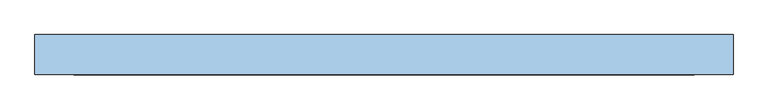
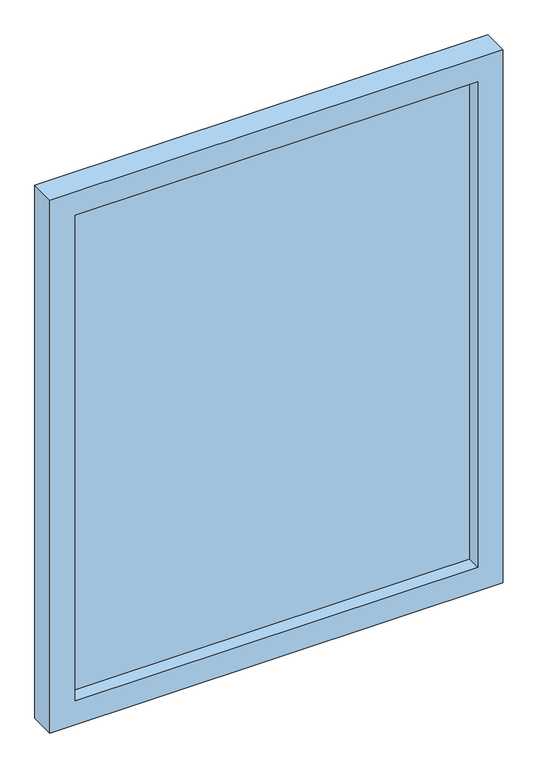
"""IFC4 building model written with IfcOpenShell, lengths in millimetres: window geometry."""

from ifc_helpers import new_model, si_unit, frame, origin, place, context, project, spatial, polyline, outline, extrude, source, transform, mapped, element, save


def window_7ea417cb(model_context):
    return source(origin(), model_context, "Body", "SweptSolid", [
        extrude(outline(polyline([(465.0, 4.0), (-465.0, 4.0), (-465.0, 22.0), (465.0, 22.0), (465.0, 4.0)])), frame((0.0, 0.0, 958.0), z_axis=(0.0, 0.0, 1.0), x_axis=(1.0, 0.0, 0.0)), (0.0, 0.0, 1.0), 1184.0),
        extrude(outline(polyline([(900.0, -523.0), (900.0, 523.0), (2200.0, 523.0), (2200.0, -523.0), (900.0, -523.0)]), holes=[polyline([(2142.0, -465.0), (2142.0, 465.0), (958.0, 465.0), (958.0, -465.0), (2142.0, -465.0)])]), frame((0.0, -30.0, 0.0), z_axis=(0.0, 1.0, 0.0), x_axis=(0.0, 0.0, 1.0)), (0.0, 0.0, 1.0), 60.0),
    ])


if __name__ == "__main__":
    model = new_model("IFC4")
    model_context = context("Model", 3, world=origin())
    ifc_project = project(units=[si_unit("LENGTHUNIT", "METRE", prefix="MILLI")], contexts=[model_context])
    site = spatial("IfcSite", under=ifc_project)
    building = spatial("IfcBuilding", under=site)
    placement = place(None, origin())
    window_shape = window_7ea417cb(model_context)
    element("IfcWindow", 1, at=placement, inside=building, context=model_context, shape_type="MappedRepresentation", body=[
        mapped(window_shape, transform((0.0, 0.0, 0.0), x_axis=(1.0, 0.0, 0.0), y_axis=(0.0, 1.0, 0.0), z_axis=(0.0, 0.0, 1.0))),
    ])
    save(model, "model.ifc")
